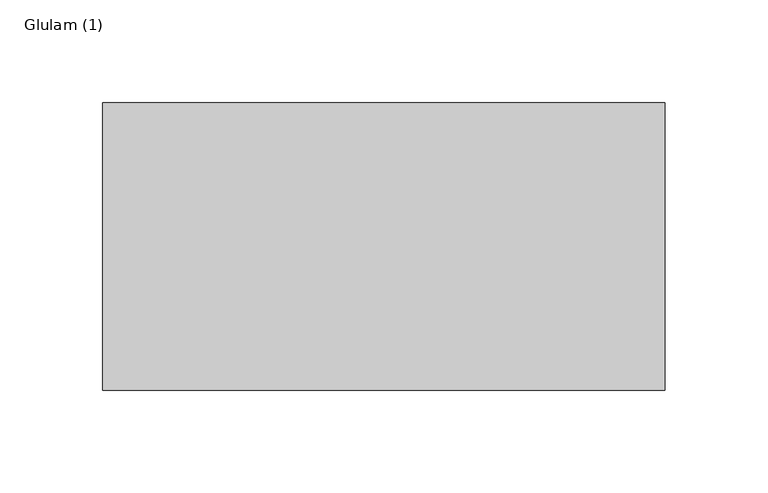
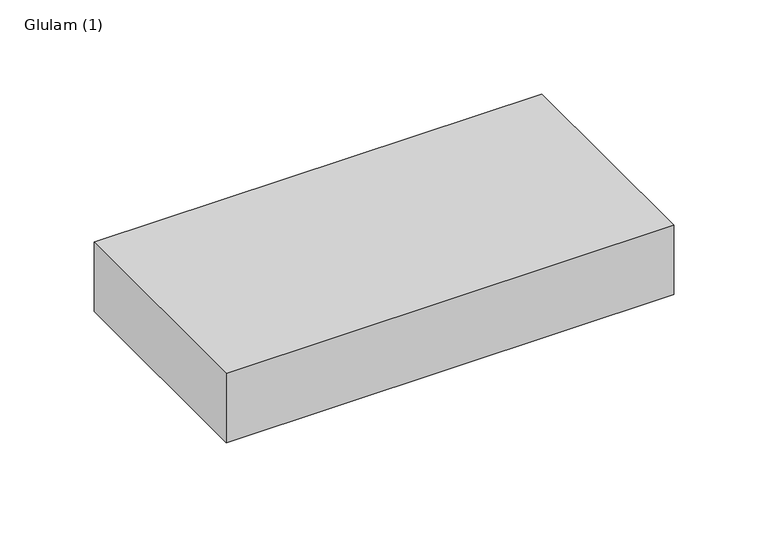
"""IFC4 building model written with IfcOpenShell, lengths in millimetres: beam geometry, Glulam (1)."""

from ifc_helpers import new_model, si_unit, frame, origin, place, context, project, spatial, polyline, outline, extrude, source, transform, mapped, element, save


def glulam_1_b84672cd(model_context):
    return source(origin(), model_context, "Body", "SweptSolid", [
        extrude(outline(polyline([(171.0, 70.0), (171.0, -70.0), (-103.0, -70.0), (-103.0, 70.0), (171.0, 70.0)])), frame((0.0, 0.0, -22.5), z_axis=(0.0, 0.0, 1.0), x_axis=(1.0, 0.0, 0.0)), (0.0, 0.0, 1.0), 45.0),
    ])


if __name__ == "__main__":
    model = new_model("IFC4")
    model_context = context("Model", 3, world=origin())
    ifc_project = project(units=[si_unit("LENGTHUNIT", "METRE", prefix="MILLI")], contexts=[model_context])
    site = spatial("IfcSite", under=ifc_project)
    building = spatial("IfcBuilding", under=site)
    placement = place(None, origin())
    glulam_1_shape = glulam_1_b84672cd(model_context)
    element("IfcBeam", 1, ObjectType="Glulam (1)", at=placement, inside=building, context=model_context, shape_type="MappedRepresentation", body=[
        mapped(glulam_1_shape, transform((0.0, 0.0, 0.0), x_axis=(1.0, 0.0, 0.0), y_axis=(0.0, 1.0, 0.0), z_axis=(0.0, 0.0, 1.0))),
    ])
    save(model, "model.ifc")
